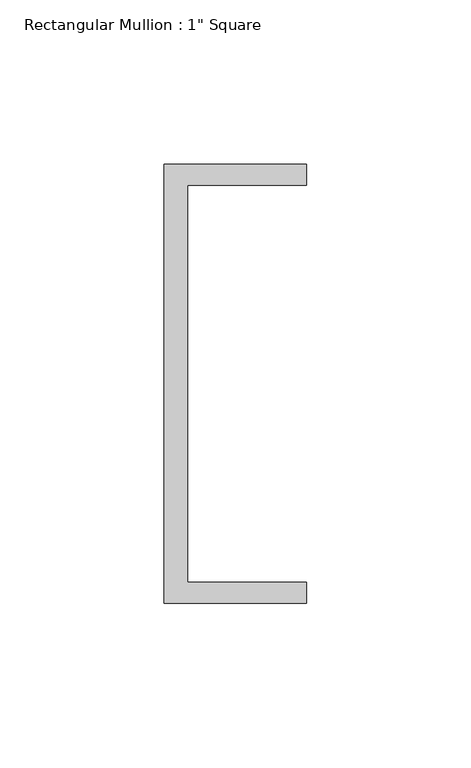
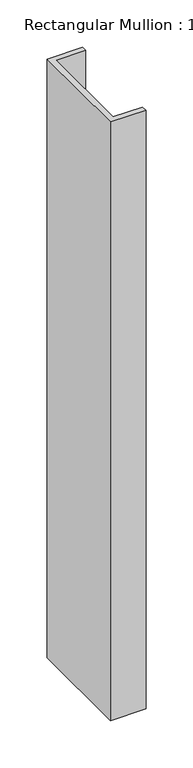
"""IFC4 building model written with IfcOpenShell, lengths in millimetres: member geometry."""

from ifc_helpers import new_model, si_unit, frame, origin, place, context, project, spatial, polyline, outline, extrude, source, transform, mapped, element, save


def member_a8cefac4(model_context):
    return source(origin(), model_context, "Body", "SweptSolid", [
        extrude(outline(polyline([(-18.6549463, 135.2608739), (24.5675083, 135.2608739), (24.5675083, 128.9108739), (-11.6110886, 128.9108739), (-11.6110886, 8.2608739), (24.5675083, 8.2608739), (24.5675083, 1.9108739), (-18.6549463, 1.9108739), (-18.6549463, 135.2608739)])), frame((0.0, 0.0, -771.5172943), z_axis=(0.0, 0.0, 1.0), x_axis=(1.0, 0.0, 0.0)), (0.0, 0.0, 1.0), 771.5172943),
    ])


if __name__ == "__main__":
    model = new_model("IFC4")
    model_context = context("Model", 3, world=origin())
    ifc_project = project(units=[si_unit("LENGTHUNIT", "METRE", prefix="MILLI")], contexts=[model_context])
    site = spatial("IfcSite", under=ifc_project)
    building = spatial("IfcBuilding", under=site)
    placement = place(None, origin())
    member_shape = member_a8cefac4(model_context)
    element("IfcMember", 1, ObjectType="Rectangular Mullion : 1\" Square", at=placement, inside=building, context=model_context, shape_type="MappedRepresentation", body=[
        mapped(member_shape, transform((0.0, 0.0, 0.0), x_axis=(1.0, 0.0, 0.0), y_axis=(0.0, 1.0, 0.0), z_axis=(0.0, 0.0, 1.0))),
    ])
    save(model, "model.ifc")
